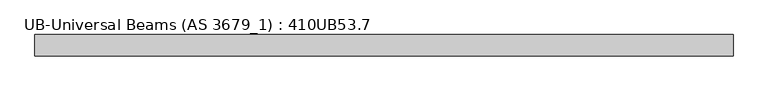
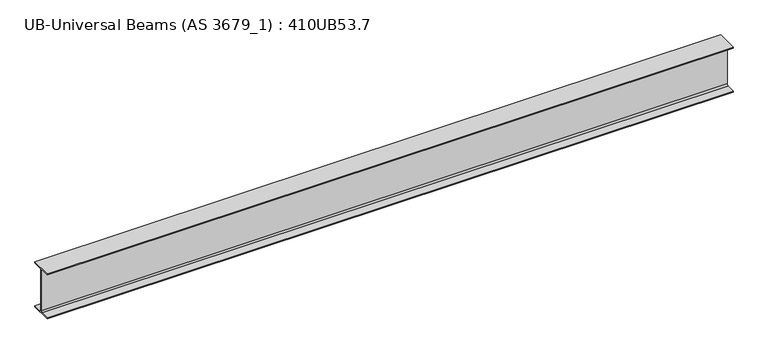
"""IFC4 building model written with IfcOpenShell, lengths in millimetres: beam geometry, UB-Universal Beams (AS 3679_1) : 410UB53.7."""

from ifc_helpers import new_model, si_unit, point, frame, frame_2d, origin, place, context, project, spatial, polyline, circle_curve, trimmed, segment, composite_curve, outline, extrude, source, transform, mapped, element, save


def ub_universal_beams_as_3679_1_410ub53_7_5d44aee4(model_context):
    return source(origin(), model_context, "Body", "SweptSolid", [
        extrude(outline(composite_curve([segment(polyline([(-89.0, -190.4), (-15.2, -190.4)]), True, "CONTINUOUS"), segment(trimmed(circle_curve(frame_2d((-15.2, -179.0)), 11.4), [point((-15.2, -190.4))], [point((-3.8, -179.0))], True, "CARTESIAN"), True, "CONTINUOUS"), segment(polyline([(-3.8, -179.0), (-3.8, 179.0)]), True, "CONTINUOUS"), segment(trimmed(circle_curve(frame_2d((-15.2, 179.0)), 11.4), [point((-3.8, 179.0))], [point((-15.2, 190.4))], True, "CARTESIAN"), True, "CONTINUOUS"), segment(polyline([(-15.2, 190.4), (-89.0, 190.4), (-89.0, 201.3), (89.0, 201.3), (89.0, 190.4), (15.2, 190.4)]), True, "CONTINUOUS"), segment(trimmed(circle_curve(frame_2d((15.2, 179.0)), 11.4), [point((15.2, 190.4))], [point((3.8, 179.0))], True, "CARTESIAN"), True, "CONTINUOUS"), segment(polyline([(3.8, 179.0), (3.8, -179.0)]), True, "CONTINUOUS"), segment(trimmed(circle_curve(frame_2d((15.2, -179.0)), 11.4), [point((3.8, -179.0))], [point((15.2, -190.4))], True, "CARTESIAN"), True, "CONTINUOUS"), segment(polyline([(15.2, -190.4), (89.0, -190.4), (89.0, -201.3), (-89.0, -201.3), (-89.0, -190.4)]), True, "CONTINUOUS")], self_intersect=False)), frame((-2887.5, 0.0, 0.0), z_axis=(1.0, 0.0, 0.0), x_axis=(0.0, 1.0, 0.0)), (0.0, 0.0, 1.0), 5775.0),
    ])


if __name__ == "__main__":
    model = new_model("IFC4")
    model_context = context("Model", 3, world=origin())
    ifc_project = project(units=[si_unit("LENGTHUNIT", "METRE", prefix="MILLI")], contexts=[model_context])
    site = spatial("IfcSite", under=ifc_project)
    building = spatial("IfcBuilding", under=site)
    placement = place(None, origin())
    ub_universal_beams_as_3679_1_410ub53_7_shape = ub_universal_beams_as_3679_1_410ub53_7_5d44aee4(model_context)
    element("IfcBeam", 1, ObjectType="UB-Universal Beams (AS 3679_1) : 410UB53.7", at=placement, inside=building, context=model_context, shape_type="MappedRepresentation", body=[
        mapped(ub_universal_beams_as_3679_1_410ub53_7_shape, transform((0.0, 0.0, 0.0), x_axis=(1.0, 0.0, 0.0), y_axis=(0.0, 1.0, 0.0), z_axis=(0.0, 0.0, 1.0))),
    ])
    save(model, "model.ifc")
